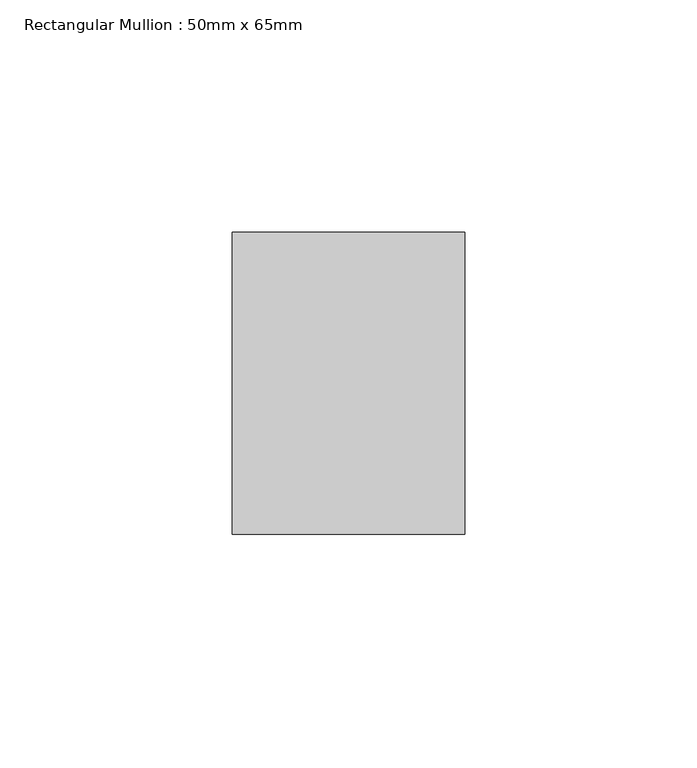
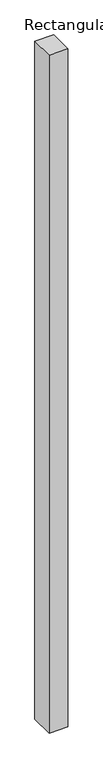
"""IFC4 building model written with IfcOpenShell, lengths in millimetres: member geometry, Rectangular Mullion : 50mm x 65mm."""

from ifc_helpers import new_model, si_unit, frame, origin, place, context, project, spatial, polyline, outline, extrude, source, transform, mapped, element, save


def rectangular_mullion_50mm_x_65mm_4f9a9768(model_context):
    return source(origin(), model_context, "Body", "SweptSolid", [
        extrude(outline(polyline([(25.0, 32.5), (25.0, -32.5), (-25.0, -32.5), (-25.0, 32.5), (25.0, 32.5)])), frame((0.0, 0.0, -1897.7008598), z_axis=(0.0, 0.0, 1.0), x_axis=(1.0, 0.0, 0.0)), (0.0, 0.0, 1.0), 1897.7008598),
    ])


if __name__ == "__main__":
    model = new_model("IFC4")
    model_context = context("Model", 3, world=origin())
    ifc_project = project(units=[si_unit("LENGTHUNIT", "METRE", prefix="MILLI")], contexts=[model_context])
    site = spatial("IfcSite", under=ifc_project)
    building = spatial("IfcBuilding", under=site)
    placement = place(None, origin())
    rectangular_mullion_50mm_x_65mm_shape = rectangular_mullion_50mm_x_65mm_4f9a9768(model_context)
    element("IfcMember", 1, ObjectType="Rectangular Mullion : 50mm x 65mm", at=placement, inside=building, context=model_context, shape_type="MappedRepresentation", body=[
        mapped(rectangular_mullion_50mm_x_65mm_shape, transform((0.0, 0.0, 0.0), x_axis=(1.0, 0.0, 0.0), y_axis=(0.0, 1.0, 0.0), z_axis=(0.0, 0.0, 1.0))),
    ])
    save(model, "model.ifc")
